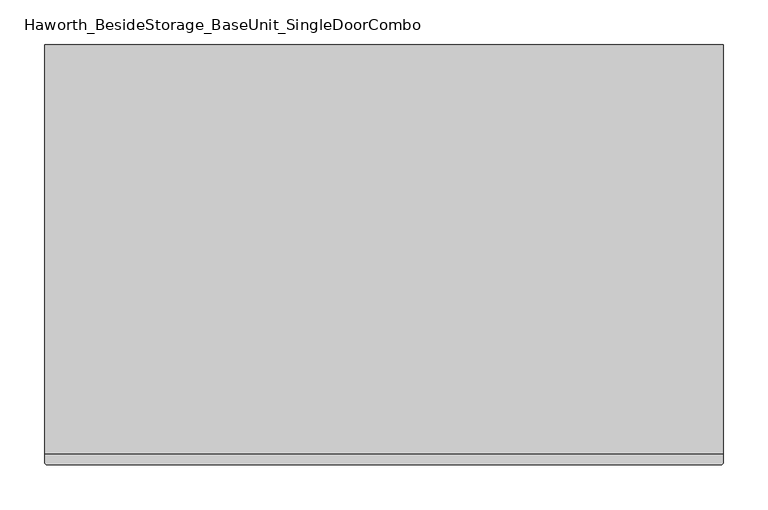
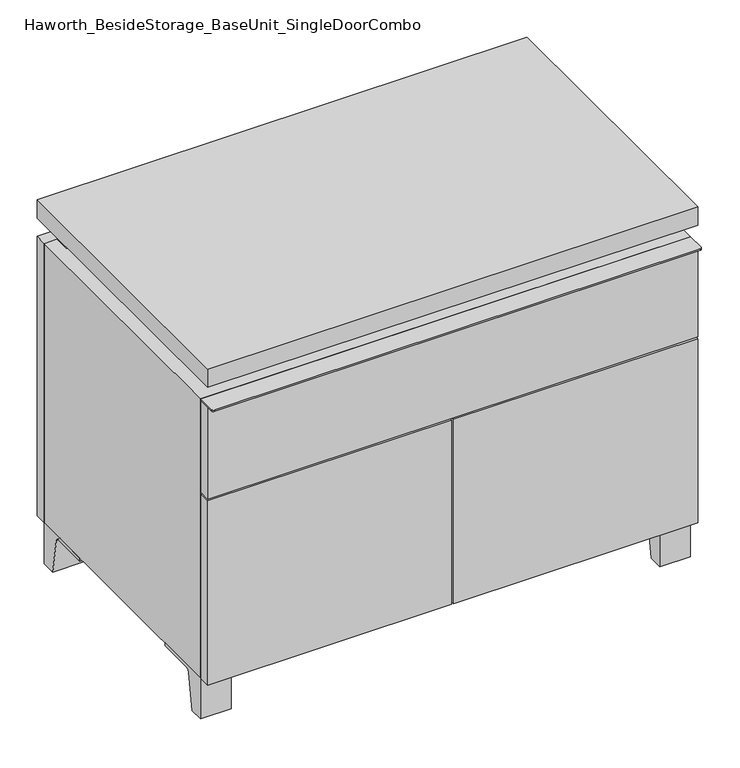
"""IFC4 building model written with IfcOpenShell, lengths in millimetres: furniture geometry, Haworth_BesideStorage_BaseUnit_SingleDoorCombo."""

from ifc_helpers import new_model, si_unit, point, frame, frame_2d, origin, place, context, project, spatial, polyline, circle_curve, trimmed, segment, composite_curve, outline, extrude, faceted_brep, source, transform, mapped, element, save


def haworth_besidestorage_baseunit_singledoorcombo_dc662f33(model_context):
    return source(origin(), model_context, "Body", "SolidModel", [
        extrude(outline(composite_curve([segment(polyline([(-123.2958469, 0.0), (-146.05, 0.0), (-146.05, 66.675), (-50.8, 66.675), (-50.8, 61.8963321), (-107.6005345, 61.8963321)]), True, "CONTINUOUS"), segment(trimmed(circle_curve(frame_2d((-107.6005345, 55.5463321)), 6.35), [point((-107.6005345, 61.8963321))], [point((-113.8641359, 56.5902656))], True, "CARTESIAN"), True, "CONTINUOUS"), segment(polyline([(-113.8641359, 56.5902656), (-123.2958469, 0.0)]), True, "CONTINUOUS")], self_intersect=False)), frame((331.8013906, 0.0, 0.0), z_axis=(1.0, 0.0, 0.0), x_axis=(0.0, 1.0, 0.0)), (0.0, 0.0, 1.0), 47.625),
        extrude(outline(composite_curve([segment(polyline([(250.2958469, 0.0), (240.8641359, 56.5902656)]), True, "CONTINUOUS"), segment(trimmed(circle_curve(frame_2d((234.6005345, 55.5463321)), 6.35), [point((240.8641359, 56.5902656))], [point((234.6005345, 61.8963321))], True, "CARTESIAN"), True, "CONTINUOUS"), segment(polyline([(234.6005345, 61.8963321), (177.8, 61.8963321), (177.8, 66.675), (273.05, 66.675), (273.05, 0.0), (250.2958469, 0.0)]), True, "CONTINUOUS")], self_intersect=False)), frame((331.8013906, 0.0, 0.0), z_axis=(1.0, 0.0, 0.0), x_axis=(0.0, 1.0, 0.0)), (0.0, 0.0, 1.0), 47.625),
        extrude(outline(composite_curve([segment(polyline([(-123.2958469, 0.0), (-146.05, 0.0), (-146.05, 66.675), (-50.8, 66.675), (-50.8, 61.8963321), (-107.6005345, 61.8963321)]), True, "CONTINUOUS"), segment(trimmed(circle_curve(frame_2d((-107.6005345, 55.5463321)), 6.35), [point((-107.6005345, 61.8963321))], [point((-113.8641359, 56.5902656))], True, "CARTESIAN"), True, "CONTINUOUS"), segment(polyline([(-113.8641359, 56.5902656), (-123.2958469, 0.0)]), True, "CONTINUOUS")], self_intersect=False)), frame((-379.3986094, 0.0, 0.0), z_axis=(1.0, 0.0, 0.0), x_axis=(0.0, 1.0, 0.0)), (0.0, 0.0, 1.0), 47.625),
        extrude(outline(composite_curve([segment(polyline([(250.2958469, 0.0), (240.8641359, 56.5902656)]), True, "CONTINUOUS"), segment(trimmed(circle_curve(frame_2d((234.6005345, 55.5463321)), 6.35), [point((240.8641359, 56.5902656))], [point((234.6005345, 61.8963321))], True, "CARTESIAN"), True, "CONTINUOUS"), segment(polyline([(234.6005345, 61.8963321), (177.8, 61.8963321), (177.8, 66.675), (273.05, 66.675), (273.05, 0.0), (250.2958469, 0.0)]), True, "CONTINUOUS")], self_intersect=False)), frame((-379.3986094, 0.0, 0.0), z_axis=(1.0, 0.0, 0.0), x_axis=(0.0, 1.0, 0.0)), (0.0, 0.0, 1.0), 47.625),
        faceted_brep([(-379.3986094, -146.05, 66.675), (379.4125, -146.05, 66.675), (379.4125, -146.05, 523.875), (-379.3986094, -146.05, 523.875), (-360.3486094, -146.05, 85.725), (-360.3486094, -146.05, 504.825), (360.3694453, -146.05, 504.825), (360.3486094, -146.05, 85.725), (-379.3986094, 273.05, 66.675), (-379.3986094, 273.05, 523.875), (-360.3486094, 273.05, 523.875), (-360.3486094, 273.05, 85.725), (360.3486094, 273.05, 85.725), (360.3486094, 273.05, 523.875), (379.4125, 273.05, 523.875), (379.4125, 273.05, 66.675), (360.3486094, 247.65, 523.875), (-360.3416641, 247.65, 523.875), (-360.3486094, 247.65, 504.825), (360.3486094, 247.65, 504.825)], [[[0, 1, 2, 3], [4, 5, 6, 7]], [[8, 9, 10, 11, 12, 13, 14, 15]], [[1, 0, 8, 15]], [[2, 1, 15, 14]], [[3, 2, 14, 13, 16, 17, 10, 9]], [[0, 3, 9, 8]], [[11, 10, 17, 18, 5, 4]], [[13, 12, 7, 6, 19, 16]], [[4, 7, 12, 11]], [[6, 5, 18, 19]], [[17, 16, 19, 18]]]),
        extrude(outline(polyline([(379.4263906, -165.1), (-379.3986094, -165.1), (-379.3986094, 292.1), (379.4263906, 292.1), (379.4263906, -165.1)])), frame((0.0, 0.0, 554.0375), z_axis=(0.0, 0.0, 1.0), x_axis=(1.0, 0.0, 0.0)), (0.0, 0.0, 1.0), 30.1625),
        faceted_brep([(7.9513906, -69.85, 554.0375), (7.9513906, -69.85, 523.875), (7.9513906, 53.975, 523.875), (7.9513906, 53.975, 554.0375), (7.9513906, 196.85, 523.875), (7.9513906, 196.85, 554.0375), (7.9513906, 73.025, 554.0375), (7.9513906, 73.025, 523.875), (-7.9236094, 196.85, 554.0375), (-7.9236094, 196.85, 523.875), (-7.9236094, 73.025, 523.875), (-7.9236094, 73.025, 554.0375), (-7.9236094, -69.85, 523.875), (-7.9236094, -69.85, 554.0375), (-7.9236094, 53.975, 554.0375), (-7.9236094, 53.975, 523.875), (-338.0958281, 73.025, 554.0375), (-338.1166641, 247.65, 554.0375), (-353.9916641, 247.65, 554.0375), (-353.9916641, -120.65, 554.0375), (-338.1166641, -120.65, 554.0375), (-338.1166641, 53.975, 554.0375), (338.1236094, 53.975, 554.0375), (338.1236094, -120.65, 554.0375), (353.9986094, -120.65, 554.0375), (353.9986094, 247.65, 554.0375), (338.1236094, 247.65, 554.0375), (338.1236094, 73.025, 554.0375), (-338.0958281, 53.975, 523.875), (-338.1166641, -120.65, 523.875), (-353.9916641, -120.65, 523.875), (-353.9916641, 247.65, 523.875), (-338.1166641, 247.65, 523.875), (-338.1166641, 73.025, 523.875), (338.1236094, 73.025, 523.875), (338.1236094, 247.65, 523.875), (353.9986094, 247.65, 523.875), (353.9986094, -120.65, 523.875), (338.1236094, -120.65, 523.875), (338.1236094, 53.975, 523.875)], [[[0, 1, 2, 3]], [[4, 5, 6, 7]], [[8, 9, 10, 11]], [[12, 13, 14, 15]], [[5, 8, 11, 16, 17, 18, 19, 20, 21, 14, 13, 0, 3, 22, 23, 24, 25, 26, 27, 6]], [[1, 12, 15, 28, 29, 30, 31, 32, 33, 10, 9, 4, 7, 34, 35, 36, 37, 38, 39, 2]], [[5, 4, 9, 8]], [[1, 0, 13, 12]], [[6, 27, 34, 7]], [[22, 3, 2, 39]], [[20, 29, 28, 21]], [[32, 17, 16, 33]], [[18, 31, 30, 19]], [[29, 20, 19, 30]], [[17, 32, 31, 18]], [[26, 35, 34, 27]], [[38, 23, 22, 39]], [[25, 24, 37, 36]], [[23, 38, 37, 24]], [[35, 26, 25, 36]], [[16, 11, 10, 33]], [[14, 21, 28, 15]]]),
        extrude(outline(polyline([(379.4263906, 273.05), (-379.3986094, 273.05), (-379.3986094, 292.1), (379.4263906, 292.1), (379.4263906, 273.05)])), frame((0.0, 0.0, 66.675), z_axis=(0.0, 0.0, 1.0), x_axis=(1.0, 0.0, 0.0)), (0.0, 0.0, 1.0), 457.2),
        extrude(outline(polyline([(-360.3416641, 203.2), (-360.3416641, 209.55), (360.3694453, 209.55), (360.3694453, 203.2), (-360.3416641, 203.2)])), frame((0.0, 0.0, 85.725), z_axis=(0.0, 0.0, 1.0), x_axis=(1.0, 0.0, 0.0)), (0.0, 0.0, 1.0), 419.1),
        extrude(outline(polyline([(1.6013906, -165.1), (1.6013906, -146.05), (379.4263906, -146.05), (379.4263906, -165.1), (1.6013906, -165.1)])), frame((0.0, 0.0, 66.675), z_axis=(0.0, 0.0, 1.0), x_axis=(1.0, 0.0, 0.0)), (0.0, 0.0, 1.0), 301.625),
        extrude(outline(polyline([(-1.5736094, -165.1), (-379.3986094, -165.1), (-379.3986094, -146.05), (-1.5736094, -146.05), (-1.5736094, -165.1)])), frame((0.0, 0.0, 66.675), z_axis=(0.0, 0.0, 1.0), x_axis=(1.0, 0.0, 0.0)), (0.0, 0.0, 1.0), 301.625),
        extrude(outline(composite_curve([segment(polyline([(379.4263906, -146.05), (379.4263906, -174.625)]), True, "CONTINUOUS"), segment(trimmed(circle_curve(frame_2d((376.2513906, -174.625)), 3.175), [point((379.4263906, -174.625))], [point((376.2513906, -177.8))], False, "CARTESIAN"), True, "CONTINUOUS"), segment(polyline([(376.2513906, -177.8), (-376.2236094, -177.8)]), True, "CONTINUOUS"), segment(trimmed(circle_curve(frame_2d((-376.2236094, -174.625)), 3.175), [point((-376.2236094, -177.8))], [point((-379.3986094, -174.625))], False, "CARTESIAN"), True, "CONTINUOUS"), segment(polyline([(-379.3986094, -174.625), (-379.3986094, -146.05), (379.4263906, -146.05)]), True, "CONTINUOUS")], self_intersect=False)), frame((0.0, 0.0, 521.49375), z_axis=(0.0, 0.0, 1.0), x_axis=(1.0, 0.0, 0.0)), (0.0, 0.0, 1.0), 2.38125),
        extrude(outline(polyline([(379.4263906, -146.05), (379.4263906, -165.1), (-379.3986094, -165.1), (-379.3986094, -146.05), (379.4263906, -146.05)])), frame((0.0, 0.0, 371.475), z_axis=(0.0, 0.0, 1.0), x_axis=(1.0, 0.0, 0.0)), (0.0, 0.0, 1.0), 150.01875),
    ])


if __name__ == "__main__":
    model = new_model("IFC4")
    model_context = context("Model", 3, world=origin())
    ifc_project = project(units=[si_unit("LENGTHUNIT", "METRE", prefix="MILLI")], contexts=[model_context])
    site = spatial("IfcSite", under=ifc_project)
    building = spatial("IfcBuilding", under=site)
    placement = place(None, origin())
    haworth_besidestorage_baseunit_singledoorcombo_shape = haworth_besidestorage_baseunit_singledoorcombo_dc662f33(model_context)
    element("IfcFurniture", 1, ObjectType="Haworth_BesideStorage_BaseUnit_SingleDoorCombo", at=placement, inside=building, context=model_context, shape_type="MappedRepresentation", body=[
        mapped(haworth_besidestorage_baseunit_singledoorcombo_shape, transform((0.0, 0.0, 0.0), x_axis=(1.0, 0.0, 0.0), y_axis=(0.0, 1.0, 0.0), z_axis=(0.0, 0.0, 1.0))),
    ])
    save(model, "model.ifc")
